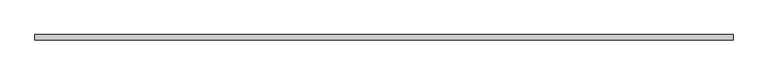
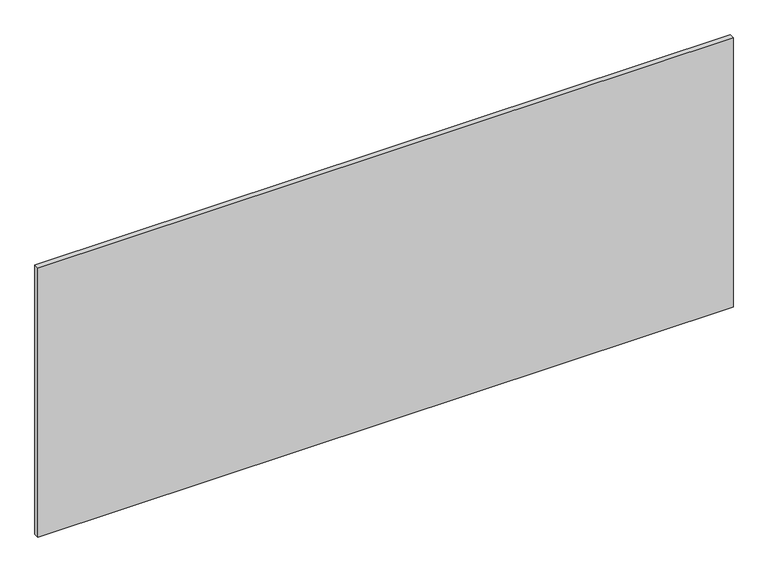
"""IFC4 building model written with IfcOpenShell, lengths in millimetres: furniture geometry."""

from ifc_helpers import new_model, si_unit, frame, origin, place, context, project, spatial, polyline, outline, extrude, source, transform, mapped, element, save


def furniture_d9672df1(model_context):
    return source(origin(), model_context, "Body", "SweptSolid", [
        extrude(outline(polyline([(0.0, 0.0), (2135.124, 0.0), (2135.124, -15.875), (0.0, -15.875), (0.0, 0.0)])), frame((0.0, 0.0, 722.3252), z_axis=(0.0, 0.0, 1.0), x_axis=(1.0, 0.0, 0.0)), (0.0, 0.0, 1.0), 874.776),
    ])


if __name__ == "__main__":
    model = new_model("IFC4")
    model_context = context("Model", 3, world=origin())
    ifc_project = project(units=[si_unit("LENGTHUNIT", "METRE", prefix="MILLI")], contexts=[model_context])
    site = spatial("IfcSite", under=ifc_project)
    building = spatial("IfcBuilding", under=site)
    placement = place(None, origin())
    furniture_shape = furniture_d9672df1(model_context)
    element("IfcFurniture", 1, at=placement, inside=building, context=model_context, shape_type="MappedRepresentation", body=[
        mapped(furniture_shape, transform((0.0, 0.0, 0.0), x_axis=(1.0, 0.0, 0.0), y_axis=(0.0, 1.0, 0.0), z_axis=(0.0, 0.0, 1.0))),
    ])
    save(model, "model.ifc")
